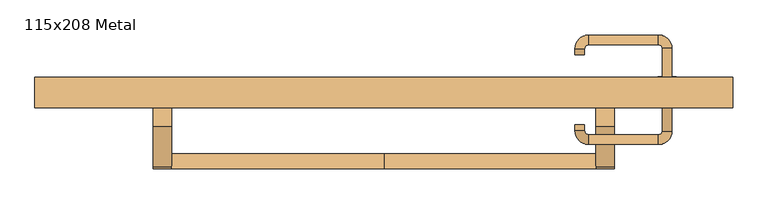
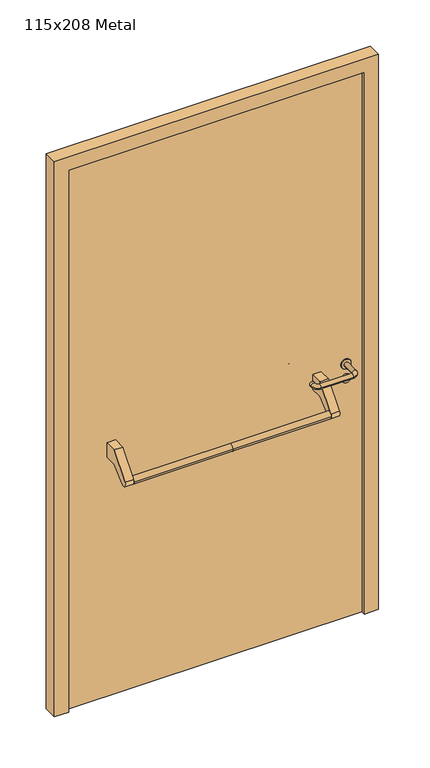
"""IFC4 building model written with IfcOpenShell, lengths in millimetres: door geometry, 115x208 Metal."""

from ifc_helpers import new_model, si_unit, point, frame, frame_2d, origin, origin_with_axes, place, context, project, spatial, polyline, circle_curve, ellipse_curve, trimmed, segment, composite_curve, outline, extrude, source, transform, mapped, element, save
from ifc_brep_helpers import plane_surface, cylinder_surface, revolved_surface, advanced_brep


def door_115x208_metal_a00b31c9(model_context):
    return source(origin(), model_context, "Body", "SolidModel", [
        advanced_brep(
        [(-350.0, -25.4171435, 861.5304884), (-350.0, -50.4171435, 861.5304884), (0.0, -25.4171435, 861.5304884), (0.0, -50.4171435, 861.5304884), (350.0, -25.4171435, 861.5304884), (350.0, -50.4171435, 861.5304884)],
        [
            (0, 1, circle_curve(frame((-350.0, -37.9171435, 861.5304884), z_axis=(-1.0, 0.0, 0.0), x_axis=(0.0, -1.0, 0.0)), 12.5)),
            (1, 0, circle_curve(frame((-350.0, -37.9171435, 861.5304884), z_axis=(-1.0, 0.0, 0.0), x_axis=(0.0, -1.0, 0.0)), 12.5)),
            (0, 2),
            (2, 3, circle_curve(frame((0.0, -37.9171435, 861.5304884), z_axis=(-1.0, 0.0, 0.0), x_axis=(0.0, -1.0, 0.0)), 12.5)),
            (3, 1),
            (3, 2, circle_curve(frame((0.0, -37.9171435, 861.5304884), z_axis=(-1.0, 0.0, 0.0), x_axis=(0.0, -1.0, 0.0)), 12.5)),
            (4, 5, circle_curve(frame((350.0, -37.9171435, 861.5304884), z_axis=(1.0, 0.0, 0.0), x_axis=(0.0, -1.0, 0.0)), 12.5)),
            (5, 4, circle_curve(frame((350.0, -37.9171435, 861.5304884), z_axis=(1.0, 0.0, 0.0), x_axis=(0.0, -1.0, 0.0)), 12.5)),
            (5, 3),
            (2, 4),
        ],
        [
            plane_surface(frame((-350.0, -50.4171435, 861.5304884), z_axis=(-1.0, 0.0, 0.0), x_axis=(0.0, 0.0, -1.0))),
            cylinder_surface(frame((-350.0, -37.9171435, 861.5304884), z_axis=(1.0, 0.0, 0.0), x_axis=(0.0, -1.0, 0.0)), 12.5),
            plane_surface(frame((350.0, -50.4171435, 861.5304884), z_axis=(1.0, 0.0, 0.0), x_axis=(0.0, 0.0, 1.0))),
            cylinder_surface(frame((0.0, -37.9171435, 861.5304884), z_axis=(1.0, 0.0, 0.0), x_axis=(0.0, -1.0, 0.0)), 12.5),
        ],
        [
            (0, [[1, 2]]),
            (1, [[3, 4, 5, -1]]),
            (1, [[-5, 6, -3, -2]]),
            (2, [[7, 8]]),
            (3, [[9, -4, 10, -8]]),
            (3, [[-10, -6, -9, -7]]),
        ],
    ),
        extrude(outline(composite_curve([segment(polyline([(20.0, 950.0), (65.0, 950.0), (65.0, 895.2768379), (21.4513009, 895.2768379), (-28.3415879, 853.4956432)]), True, "CONTINUOUS"), segment(trimmed(circle_curve(frame_2d((-37.9171435, 861.5304884)), 12.5), [point((-28.3415879, 853.4956432))], [point((-47.492699, 869.5653335))], False, "CARTESIAN"), True, "CONTINUOUS"), segment(polyline([(-47.492699, 869.5653335), (20.0, 950.0)]), True, "CONTINUOUS")], self_intersect=False)), frame((-380.0, 0.0, 0.0), z_axis=(1.0, 0.0, 0.0), x_axis=(0.0, 1.0, 0.0)), (0.0, 0.0, 1.0), 30.0),
        extrude(outline(composite_curve([segment(polyline([(20.0, 950.0), (65.0, 950.0), (65.0, 895.2768379), (21.4513009, 895.2768379), (-28.3415879, 853.4956432)]), True, "CONTINUOUS"), segment(trimmed(circle_curve(frame_2d((-37.9171435, 861.5304884)), 12.5), [point((-28.3415879, 853.4956432))], [point((-47.492699, 869.5653335))], False, "CARTESIAN"), True, "CONTINUOUS"), segment(polyline([(-47.492699, 869.5653335), (20.0, 950.0)]), True, "CONTINUOUS")], self_intersect=False)), frame((350.0, 0.0, 0.0), z_axis=(1.0, 0.0, 0.0), x_axis=(0.0, 1.0, 0.0)), (0.0, 0.0, 1.0), 30.0),
        extrude(outline(composite_curve([segment(trimmed(circle_curve(frame_2d((897.3605726, 467.0)), 15.0), [point((897.3605726, 482.0))], [point((897.3605726, 452.0))], False, "CARTESIAN"), True, "CONTINUOUS"), segment(trimmed(circle_curve(frame_2d((897.3605726, 467.0)), 15.0), [point((897.3605726, 452.0))], [point((897.3605726, 482.0))], False, "CARTESIAN"), True, "CONTINUOUS")], self_intersect=False), holes=[composite_curve([segment(trimmed(circle_curve(frame_2d((892.5833211, 466.9398032)), 2.0), [point((892.5833211, 468.9398032))], [point((892.5833211, 464.9398032))], True, "CARTESIAN"), True, "CONTINUOUS"), segment(polyline([(892.5833211, 464.9398032), (902.5833211, 464.9398032)]), True, "CONTINUOUS"), segment(trimmed(circle_curve(frame_2d((902.5833211, 466.9398032)), 2.0), [point((902.5833211, 464.9398032))], [point((902.5833211, 468.9398032))], True, "CARTESIAN"), True, "CONTINUOUS"), segment(polyline([(902.5833211, 468.9398032), (892.5833211, 468.9398032)]), True, "CONTINUOUS")], self_intersect=False)]), frame((0.0, 58.65, 0.0), z_axis=(0.0, 1.0, 0.0), x_axis=(0.0, 0.0, 1.0)), (0.0, 0.0, 1.0), 6.35),
        extrude(outline(composite_curve([segment(trimmed(circle_curve(frame_2d((950.0, 467.0)), 17.526), [point((950.0, 484.526))], [point((950.0, 449.474))], False, "CARTESIAN"), True, "CONTINUOUS"), segment(trimmed(circle_curve(frame_2d((950.0, 467.0)), 17.526), [point((950.0, 449.474))], [point((950.0, 484.526))], False, "CARTESIAN"), True, "CONTINUOUS")], self_intersect=False)), frame((0.0, 61.825, 0.0), z_axis=(0.0, 1.0, 0.0), x_axis=(0.0, 0.0, 1.0)), (0.0, 0.0, 1.0), 3.175),
        advanced_brep(
        [(475.0, 65.0, 950.0), (459.0, 65.0, 950.0), (459.0, 12.0, 950.0), (475.0, 12.0, 950.0), (452.8578644, 5.8578644, 950.0), (452.8578644, -10.1421356, 950.0), (337.8578644, 5.8578644, 950.0), (337.8578644, -10.1421356, 950.0), (331.008622, 12.7071068, 950.0), (315.008622, 12.7071068, 950.0), (315.008622, 22.7071068, 950.0), (331.008622, 22.7071068, 950.0)],
        [
            (0, 1, circle_curve(frame((467.0, 65.0, 950.0), z_axis=(0.0, 1.0, 0.0), x_axis=(-1.0, 0.0, 0.0)), 8.0)),
            (1, 0, circle_curve(frame((467.0, 65.0, 950.0), z_axis=(0.0, 1.0, 0.0), x_axis=(-1.0, 0.0, 0.0)), 8.0)),
            (1, 2),
            (2, 3, circle_curve(frame((467.0, 12.0, 950.0), z_axis=(0.0, 1.0, 0.0), x_axis=(-1.0, 0.0, 0.0)), 8.0)),
            (3, 0),
            (3, 2, circle_curve(frame((467.0, 12.0, 950.0), z_axis=(0.0, 1.0, 0.0), x_axis=(-1.0, 0.0, 0.0)), 8.0)),
            (4, 5, circle_curve(frame((452.8578644, -2.1421356, 950.0), z_axis=(1.0, 0.0, 0.0), x_axis=(0.0, 1.0, 0.0)), 8.0)),
            (5, 3, circle_curve(frame((452.8578644, 12.0, 950.0), z_axis=(0.0, 0.0, 1.0), x_axis=(1.0, 0.0, 0.0)), 22.1421356)),
            (2, 4, circle_curve(frame((452.8578644, 12.0, 950.0), z_axis=(0.0, 0.0, -1.0), x_axis=(1.0, 0.0, 0.0)), 6.1421356)),
            (5, 4, circle_curve(frame((452.8578644, -2.1421356, 950.0), z_axis=(1.0, 0.0, 0.0), x_axis=(0.0, 1.0, 0.0)), 8.0)),
            (4, 6),
            (6, 7, circle_curve(frame((337.8578644, -2.1421356, 950.0), z_axis=(1.0, 0.0, 0.0), x_axis=(0.0, 1.0, 0.0)), 8.0)),
            (7, 5),
            (7, 6, circle_curve(frame((337.8578644, -2.1421356, 950.0), z_axis=(1.0, 0.0, 0.0), x_axis=(0.0, 1.0, 0.0)), 8.0)),
            (8, 9, circle_curve(frame((323.008622, 12.7071068, 950.0), z_axis=(0.0, -1.0, 0.0), x_axis=(1.0, 0.0, 0.0)), 8.0)),
            (9, 7, circle_curve(frame((337.8578644, 12.7071068, 950.0), z_axis=(0.0, 0.0, 1.0), x_axis=(0.0, -1.0, 0.0)), 22.8492424)),
            (6, 8, circle_curve(frame((337.8578644, 12.7071068, 950.0), z_axis=(0.0, 0.0, -1.0), x_axis=(0.0, -1.0, 0.0)), 6.8492424)),
            (9, 8, circle_curve(frame((323.008622, 12.7071068, 950.0), z_axis=(0.0, -1.0, 0.0), x_axis=(1.0, 0.0, 0.0)), 8.0)),
            (10, 11, circle_curve(frame((323.008622, 22.7071068, 950.0), z_axis=(0.0, 1.0, 0.0), x_axis=(1.0, 0.0, 0.0)), 8.0)),
            (11, 10, circle_curve(frame((323.008622, 22.7071068, 950.0), z_axis=(0.0, 1.0, 0.0), x_axis=(1.0, 0.0, 0.0)), 8.0)),
            (8, 11),
            (10, 9),
        ],
        [
            plane_surface(frame((467.0, 65.0, 170.0), z_axis=(0.0, 1.0, 0.0), x_axis=(0.0, 0.0, 1.0))),
            cylinder_surface(frame((467.0, 65.0, 950.0), z_axis=(0.0, 1.0, 0.0), x_axis=(-1.0, 0.0, 0.0)), 8.0),
            revolved_surface(trimmed(ellipse_curve(frame((467.0, 12.0, 950.0), z_axis=(0.0, -1.0, 0.0), x_axis=(-1.0, 0.0, 0.0)), 8.0, 8.0), [point((475.0, 12.0, 950.0))], [point((459.0, 12.0, 950.0))], True, "CARTESIAN"), (452.8578644, 12.0, 170.0), (0.0, 0.0, 1.0)),
            revolved_surface(trimmed(ellipse_curve(frame((467.0, 12.0, 950.0), z_axis=(0.0, -1.0, 0.0), x_axis=(-1.0, 0.0, 0.0)), 8.0, 8.0), [point((459.0, 12.0, 950.0))], [point((475.0, 12.0, 950.0))], True, "CARTESIAN"), (452.8578644, 12.0, 170.0), (0.0, 0.0, 1.0)),
            cylinder_surface(frame((452.8578644, -2.1421356, 950.0), z_axis=(1.0, 0.0, 0.0), x_axis=(0.0, 1.0, 0.0)), 8.0),
            revolved_surface(trimmed(ellipse_curve(frame((337.8578644, -2.1421356, 950.0), z_axis=(-1.0, 0.0, 0.0), x_axis=(0.0, 1.0, 0.0)), 8.0, 8.0), [point((337.8578644, -10.1421356, 950.0))], [point((337.8578644, 5.8578644, 950.0))], True, "CARTESIAN"), (337.8578644, 12.7071068, 170.0), (0.0, 0.0, 1.0)),
            revolved_surface(trimmed(ellipse_curve(frame((337.8578644, -2.1421356, 950.0), z_axis=(-1.0, 0.0, 0.0), x_axis=(0.0, 1.0, 0.0)), 8.0, 8.0), [point((337.8578644, 5.8578644, 950.0))], [point((337.8578644, -10.1421356, 950.0))], True, "CARTESIAN"), (337.8578644, 12.7071068, 170.0), (0.0, 0.0, 1.0)),
            plane_surface(frame((323.008622, 22.7071068, 170.0), z_axis=(0.0, 1.0, 0.0), x_axis=(0.0, 0.0, 1.0))),
            cylinder_surface(frame((323.008622, 12.7071068, 950.0), z_axis=(0.0, -1.0, 0.0), x_axis=(1.0, 0.0, 0.0)), 8.0),
        ],
        [
            (0, [[1, 2]]),
            (1, [[3, 4, 5, -2]]),
            (1, [[-5, 6, -3, -1]]),
            (2, [[7, 8, -4, 9]]),
            (3, [[10, -9, -6, -8]]),
            (4, [[11, 12, 13, -7]]),
            (4, [[-13, 14, -11, -10]]),
            (5, [[15, 16, -12, 17]]),
            (6, [[18, -17, -14, -16]]),
            (7, [[19, 20]]),
            (8, [[21, -19, 22, -15]]),
            (8, [[-22, -20, -21, -18]]),
        ],
    ),
        extrude(outline(composite_curve([segment(trimmed(circle_curve(frame_2d((0.0, -15.0)), 15.0), [point((0.0, -30.0))], [point((0.0, 0.0))], False, "CARTESIAN"), True, "CONTINUOUS"), segment(trimmed(circle_curve(frame_2d((0.0, -15.0)), 15.0), [point((0.0, 0.0))], [point((0.0, -30.0))], False, "CARTESIAN"), True, "CONTINUOUS")], self_intersect=False), holes=[composite_curve([segment(trimmed(circle_curve(frame_2d((4.7772515, -14.9398032)), 2.0), [point((4.7772515, -16.9398032))], [point((4.7772515, -12.9398032))], True, "CARTESIAN"), True, "CONTINUOUS"), segment(polyline([(4.7772515, -12.9398032), (-5.2227485, -12.9398032)]), True, "CONTINUOUS"), segment(trimmed(circle_curve(frame_2d((-5.2227485, -14.9398032)), 2.0), [point((-5.2227485, -12.9398032))], [point((-5.2227485, -16.9398032))], True, "CARTESIAN"), True, "CONTINUOUS"), segment(polyline([(-5.2227485, -16.9398032), (4.7772515, -16.9398032)]), True, "CONTINUOUS")], self_intersect=False)]), frame((452.0, 95.0, 897.3605726), z_axis=(1.8870575173328306e-12, 1.0, 0.0), x_axis=(0.0, 0.0, -1.0)), (0.0, 0.0, 1.0), 6.35),
        extrude(outline(composite_curve([segment(trimmed(circle_curve(frame_2d((0.0, -17.526)), 17.526), [point((0.0, -35.052))], [point((0.0, 0.0))], False, "CARTESIAN"), True, "CONTINUOUS"), segment(trimmed(circle_curve(frame_2d((0.0, -17.526)), 17.526), [point((0.0, 0.0))], [point((0.0, -35.052))], False, "CARTESIAN"), True, "CONTINUOUS")], self_intersect=False)), frame((449.474, 95.0, 950.0), z_axis=(1.8870575173328306e-12, 1.0, 0.0), x_axis=(0.0, 0.0, -1.0)), (0.0, 0.0, 1.0), 3.175),
        advanced_brep(
        [(475.0, 95.0, 950.0), (459.0, 95.0, 950.0), (475.0, 148.0, 950.0), (459.0, 148.0, 950.0), (452.8578644, 154.1421356, 950.0), (452.8578644, 170.1421356, 950.0), (337.8578644, 170.1421356, 950.0), (337.8578644, 154.1421356, 950.0), (331.008622, 147.2928932, 950.0), (315.008622, 147.2928932, 950.0), (315.008622, 137.2928932, 950.0), (331.008622, 137.2928932, 950.0)],
        [
            (0, 1, circle_curve(frame((467.0, 95.0, 950.0), z_axis=(-1.888672253512351e-12, -1.0, 0.0), x_axis=(-1.0, 1.888672253512351e-12, 0.0)), 8.0)),
            (1, 0, circle_curve(frame((467.0, 95.0, 950.0), z_axis=(-1.888672253512351e-12, -1.0, 0.0), x_axis=(-1.0, 1.888672253512351e-12, 0.0)), 8.0)),
            (0, 2),
            (2, 3, circle_curve(frame((467.0, 148.0, 950.0), z_axis=(-1.888672253512351e-12, -1.0, 0.0), x_axis=(-1.0, 1.888672253512351e-12, 0.0)), 8.0)),
            (3, 1),
            (3, 2, circle_curve(frame((467.0, 148.0, 950.0), z_axis=(-1.888672253512351e-12, -1.0, 0.0), x_axis=(-1.0, 1.888672253512351e-12, 0.0)), 8.0)),
            (4, 3, circle_curve(frame((452.8578644, 148.0, 950.0), z_axis=(0.0, 0.0, -1.0), x_axis=(1.0, -1.880717803715015e-12, 0.0)), 6.1421356)),
            (2, 5, circle_curve(frame((452.8578644, 148.0, 950.0), z_axis=(0.0, 0.0, 1.0), x_axis=(1.0, -1.880717803715015e-12, 0.0)), 22.1421356)),
            (5, 4, circle_curve(frame((452.8578644, 162.1421356, 950.0), z_axis=(1.0, -1.913702061528922e-12, 0.0), x_axis=(-1.913702061528922e-12, -1.0, 0.0)), 8.0)),
            (4, 5, circle_curve(frame((452.8578644, 162.1421356, 950.0), z_axis=(1.0, -1.913702061528922e-12, 0.0), x_axis=(-1.913702061528922e-12, -1.0, 0.0)), 8.0)),
            (5, 6),
            (6, 7, circle_curve(frame((337.8578644, 162.1421356, 950.0), z_axis=(1.0, -1.913719828541269e-12, 0.0), x_axis=(-1.913719828541269e-12, -1.0, 0.0)), 8.0)),
            (7, 4),
            (7, 6, circle_curve(frame((337.8578644, 162.1421356, 950.0), z_axis=(1.0, -1.913719828541269e-12, 0.0), x_axis=(-1.913719828541269e-12, -1.0, 0.0)), 8.0)),
            (8, 7, circle_curve(frame((337.8578644, 147.2928932, 950.0), z_axis=(0.0, 0.0, -1.0), x_axis=(1.9120873253494017e-12, 1.0, 0.0)), 6.8492424)),
            (6, 9, circle_curve(frame((337.8578644, 147.2928932, 950.0), z_axis=(0.0, 0.0, 1.0), x_axis=(1.9120873253494017e-12, 1.0, 0.0)), 22.8492424)),
            (9, 8, circle_curve(frame((323.008622, 147.2928932, 950.0), z_axis=(1.890670654956676e-12, 1.0, 0.0), x_axis=(1.0, -1.890670654956676e-12, 0.0)), 8.0)),
            (8, 9, circle_curve(frame((323.008622, 147.2928932, 950.0), z_axis=(1.890226565746826e-12, 1.0, 0.0), x_axis=(1.0, -1.890226565746826e-12, 0.0)), 8.0)),
            (10, 11, circle_curve(frame((323.008622, 137.2928932, 950.0), z_axis=(-1.8903642334018795e-12, -1.0, 0.0), x_axis=(1.0, -1.8903642334018795e-12, 0.0)), 8.0)),
            (11, 10, circle_curve(frame((323.008622, 137.2928932, 950.0), z_axis=(-1.8903642334018795e-12, -1.0, 0.0), x_axis=(1.0, -1.8903642334018795e-12, 0.0)), 8.0)),
            (9, 10),
            (11, 8),
        ],
        [
            plane_surface(frame((467.0, 95.0, 170.0), z_axis=(-1.8870575173328306e-12, -1.0, 0.0), x_axis=(0.0, 0.0, 1.0))),
            cylinder_surface(frame((467.0, 95.0, 950.0), z_axis=(-1.888672253512351e-12, -1.0, 0.0), x_axis=(-1.0, 1.888672253512351e-12, 0.0)), 8.0),
            revolved_surface(trimmed(ellipse_curve(frame((467.0, 148.0, 950.0), z_axis=(-1.8823325398945356e-12, -1.0, 0.0), x_axis=(-1.0, 1.8823325398945356e-12, 0.0)), 8.0, 8.0), [point((475.0, 148.0, 950.0))], [point((459.0, 148.0, 950.0))], True, "CARTESIAN"), (452.8578644, 148.0, 170.0), (0.0, 0.0, 1.0)),
            revolved_surface(trimmed(ellipse_curve(frame((467.0, 148.0, 950.0), z_axis=(-1.8823325398945356e-12, -1.0, 0.0), x_axis=(-1.0, 1.8823325398945356e-12, 0.0)), 8.0, 8.0), [point((459.0, 148.0, 950.0))], [point((475.0, 148.0, 950.0))], True, "CARTESIAN"), (452.8578644, 148.0, 170.0), (0.0, 0.0, 1.0)),
            cylinder_surface(frame((452.8578644, 162.1421356, 950.0), z_axis=(1.0, -1.913719828541269e-12, 0.0), x_axis=(-1.913719828541269e-12, -1.0, 0.0)), 8.0),
            revolved_surface(trimmed(ellipse_curve(frame((337.8578644, 162.1421356, 950.0), z_axis=(1.0, -1.913702061528922e-12, 0.0), x_axis=(-1.913702061528922e-12, -1.0, 0.0)), 8.0, 8.0), [point((337.8578644, 170.1421356, 950.0))], [point((337.8578644, 154.1421356, 950.0))], True, "CARTESIAN"), (337.8578644, 147.2928932, 170.0), (0.0, 0.0, 1.0)),
            revolved_surface(trimmed(ellipse_curve(frame((337.8578644, 162.1421356, 950.0), z_axis=(1.0, -1.913702061528922e-12, 0.0), x_axis=(-1.913702061528922e-12, -1.0, 0.0)), 8.0, 8.0), [point((337.8578644, 154.1421356, 950.0))], [point((337.8578644, 170.1421356, 950.0))], True, "CARTESIAN"), (337.8578644, 147.2928932, 170.0), (0.0, 0.0, 1.0)),
            plane_surface(frame((323.008622, 137.2928932, 170.0), z_axis=(-1.8887494972223595e-12, -1.0, 0.0), x_axis=(0.0, 0.0, 1.0))),
            cylinder_surface(frame((323.008622, 147.2928932, 950.0), z_axis=(1.8903642334018795e-12, 1.0, 0.0), x_axis=(1.0, -1.8903642334018795e-12, 0.0)), 8.0),
        ],
        [
            (0, [[1, 2]]),
            (1, [[-1, 3, 4, 5]]),
            (1, [[-2, -5, 6, -3]]),
            (2, [[7, -4, 8, 9]]),
            (3, [[-8, -6, -7, 10]]),
            (4, [[-9, 11, 12, 13]]),
            (4, [[-10, -13, 14, -11]]),
            (5, [[15, -12, 16, 17]]),
            (6, [[-16, -14, -15, 18]]),
            (7, [[19, 20]]),
            (8, [[-17, 21, -20, 22]]),
            (8, [[-18, -22, -19, -21]]),
        ],
    ),
        extrude(outline(polyline([(2030.0, 525.0), (0.0, 525.0), (0.0, 575.0), (2080.0, 575.0), (2080.0, -575.0), (0.0, -575.0), (0.0, -525.0), (2030.0, -525.0), (2030.0, 525.0)])), frame((0.0, 50.0, 0.0), z_axis=(0.0, 1.0, 0.0), x_axis=(0.0, 0.0, 1.0)), (0.0, 0.0, 1.0), 50.0),
        extrude(outline(polyline([(-525.0, 95.0), (525.0, 95.0), (525.0, 65.0), (-525.0, 65.0), (-525.0, 95.0)])), origin_with_axes(), (0.0, 0.0, 1.0), 2030.0),
    ])


if __name__ == "__main__":
    model = new_model("IFC4")
    model_context = context("Model", 3, world=origin())
    ifc_project = project(units=[si_unit("LENGTHUNIT", "METRE", prefix="MILLI")], contexts=[model_context])
    site = spatial("IfcSite", under=ifc_project)
    building = spatial("IfcBuilding", under=site)
    placement = place(None, origin())
    door_115x208_metal_shape = door_115x208_metal_a00b31c9(model_context)
    element("IfcDoor", 1, ObjectType="115x208 Metal", at=placement, inside=building, context=model_context, shape_type="MappedRepresentation", body=[
        mapped(door_115x208_metal_shape, transform((0.0, 0.0, 0.0), x_axis=(1.0, 0.0, 0.0), y_axis=(0.0, 1.0, 0.0), z_axis=(0.0, 0.0, 1.0))),
    ])
    save(model, "model.ifc")
